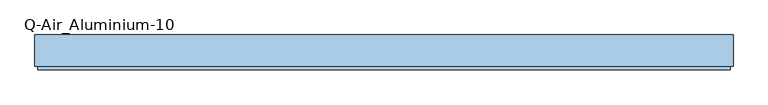
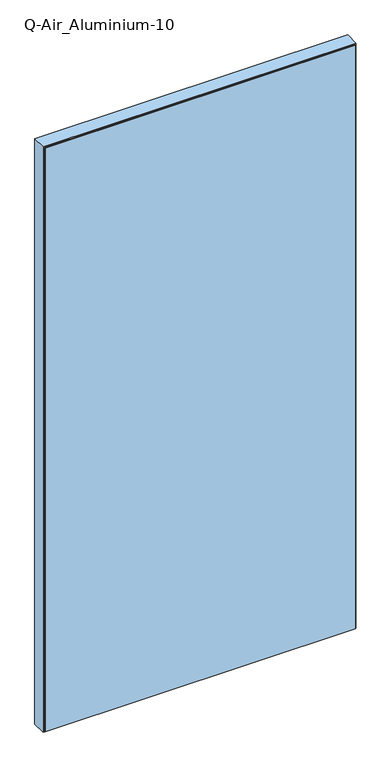
"""IFC4 building model written with IfcOpenShell, lengths in millimetres: window geometry, Q-Air_Aluminium-10."""

from ifc_helpers import new_model, si_unit, frame, origin, place, context, project, spatial, polyline, outline, extrude, source, transform, mapped, element, save


def q_air_aluminium_10_f097e6aa(model_context):
    return source(origin(), model_context, "Body", "SweptSolid", [
        extrude(outline(polyline([(5020.0, 1270.0), (5020.0, -1270.0), (0.0, -1270.0), (0.0, 1270.0), (5020.0, 1270.0)]), holes=[polyline([(4962.0, 1212.0), (58.0, 1212.0), (58.0, -1212.0), (4962.0, -1212.0), (4962.0, 1212.0)])]), frame((0.0, -114.5, 0.0), z_axis=(0.0, 1.0, 0.0), x_axis=(0.0, 0.0, 1.0)), (0.0, 0.0, 1.0), 114.5),
        extrude(outline(polyline([(1212.0, 0.0), (1212.0, -12.5), (-1212.0, -12.5), (-1212.0, 0.0), (1212.0, 0.0)])), frame((0.0, 0.0, 58.0), z_axis=(0.0, 0.0, 1.0), x_axis=(1.0, 0.0, 0.0)), (0.0, 0.0, 1.0), 4904.0),
        extrude(outline(polyline([(1260.0, -114.5), (1260.0, -127.0), (-1260.0, -127.0), (-1260.0, -114.5), (1260.0, -114.5)])), frame((0.0, 0.0, 10.0), z_axis=(0.0, 0.0, 1.0), x_axis=(1.0, 0.0, 0.0)), (0.0, 0.0, 1.0), 5000.0),
        extrude(outline(polyline([(5010.0, 1260.0), (5010.0, -1260.0), (10.0, -1260.0), (10.0, 1260.0), (5010.0, 1260.0)]), holes=[polyline([(4962.0, 1212.0), (58.0, 1212.0), (58.0, -1212.0), (4962.0, -1212.0), (4962.0, 1212.0)])]), frame((0.0, -118.5, 0.0), z_axis=(0.0, 1.0, 0.0), x_axis=(0.0, 0.0, 1.0)), (0.0, 0.0, 1.0), 4.0),
    ])


if __name__ == "__main__":
    model = new_model("IFC4")
    model_context = context("Model", 3, world=origin())
    ifc_project = project(units=[si_unit("LENGTHUNIT", "METRE", prefix="MILLI")], contexts=[model_context])
    site = spatial("IfcSite", under=ifc_project)
    building = spatial("IfcBuilding", under=site)
    placement = place(None, origin())
    q_air_aluminium_10_shape = q_air_aluminium_10_f097e6aa(model_context)
    element("IfcWindow", 1, ObjectType="Q-Air_Aluminium-10", at=placement, inside=building, context=model_context, shape_type="MappedRepresentation", body=[
        mapped(q_air_aluminium_10_shape, transform((0.0, 0.0, 0.0), x_axis=(1.0, 0.0, 0.0), y_axis=(0.0, 1.0, 0.0), z_axis=(0.0, 0.0, 1.0))),
    ])
    save(model, "model.ifc")
